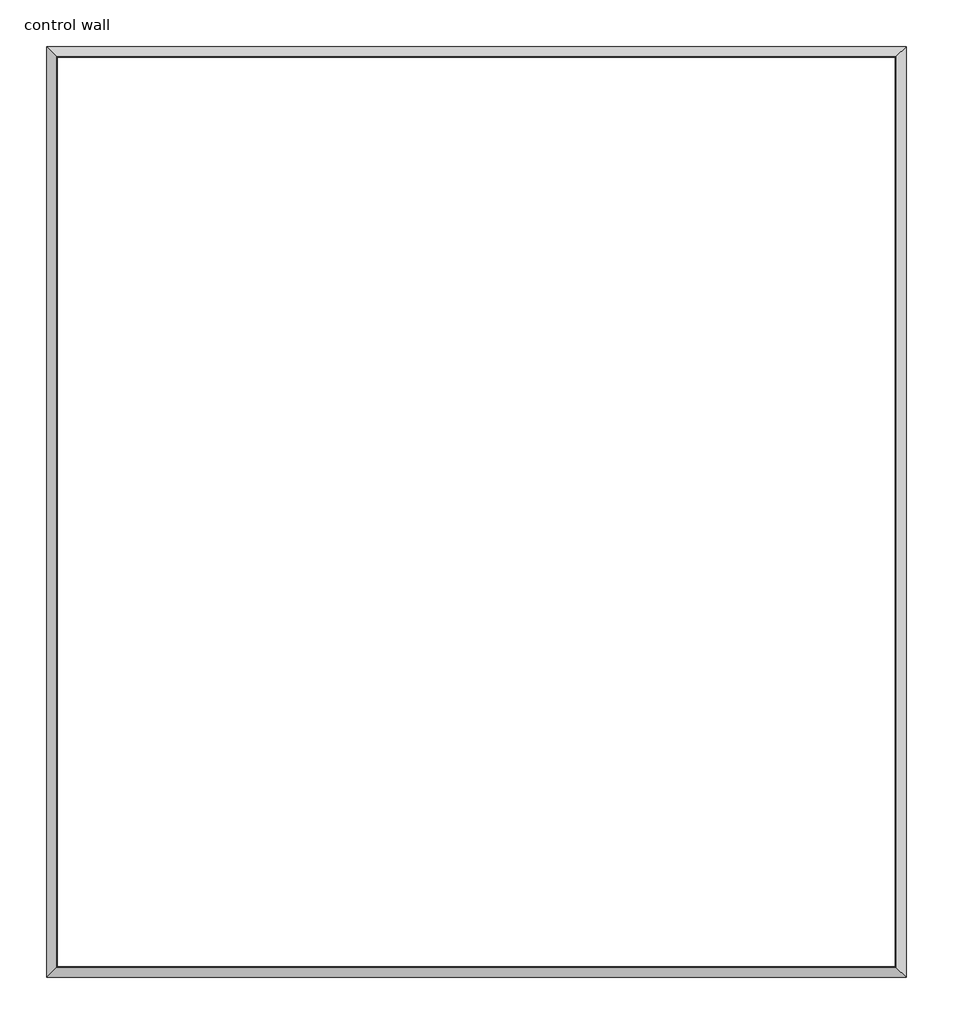
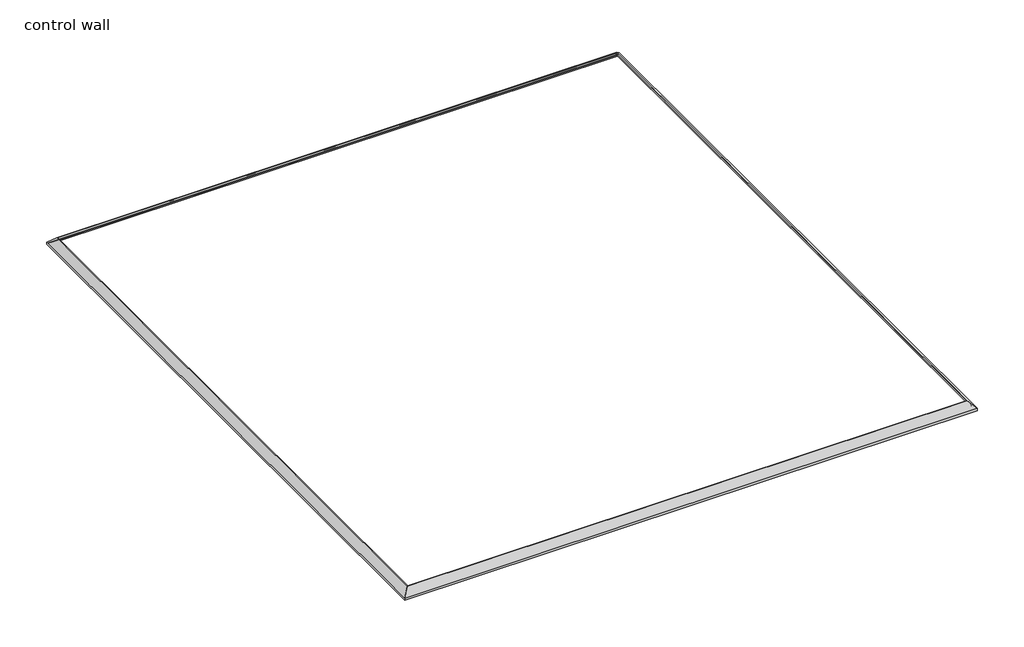
# One storey: 4 proxies.
"""IFC4 building model written with IfcOpenShell, lengths in millimetres."""

from ifc_helpers import new_model, si_unit, frame, origin, place, context, project, spatial, polyline, ellipse_curve, element, save
from ifc_brep_helpers import plane_surface, cylinder_surface, revolved_surface, advanced_brep

model = new_model("IFC4")

# Units and contexts
model_context = context("Model", 3, world=origin())
ifc_project = project(units=[si_unit("LENGTHUNIT", "METRE", prefix="MILLI")], contexts=[model_context])

# Site, building, storey
site = spatial("IfcSite", under=ifc_project)
building = spatial("IfcBuilding", under=site)
storey = spatial("IfcBuildingStorey", under=building, Name="control wall", Elevation=2133.6)

# Proxies
placement = place(None, origin())
element("IfcBuildingElementProxy", 1, Name="Wall Sweeps", at=placement, inside=storey, context=model_context, shape_type="AdvancedBrep", body=[
    advanced_brep(
    [(20037.5850881, -23509.6951015, 2678.1793892), (20037.5850881, -23509.6951015, 2654.3), (20046.5653442, -23500.7148454, 2654.3), (20046.5653442, -23500.7148454, 2663.2802561), (20060.0357284, -23487.2444612, 2676.7506403), (20060.0357284, -23487.2444612, 2683.1006403), (20080.5604082, -23466.7197814, 2703.6253202), (20101.0850881, -23446.1951015, 2724.15), (20110.7083969, -23436.5717927, 2724.15), (20110.7083969, -23436.5717927, 2743.2), (20102.6056989, -23444.6744907, 2743.2), (20037.5850881, -17210.1051633, 2678.1793892), (20102.6056989, -17275.1257742, 2743.2), (20110.7083969, -17283.2284721, 2743.2), (20110.7083969, -17283.2284721, 2724.15), (20101.0850881, -17273.6051633, 2724.15), (20080.5604082, -17253.0804835, 2703.6253202), (20060.0357284, -17232.5558036, 2683.1006403), (20060.0357284, -17232.5558036, 2676.7506403), (20046.5653442, -17219.0854195, 2663.2802561), (20046.5653442, -17219.0854195, 2654.3), (20037.5850881, -17210.1051633, 2654.3)],
    [
        (0, 1),
        (1, 2),
        (2, 3),
        (3, 4, ellipse_curve(frame((20060.0357284, -23487.2444612, 2663.2802561), z_axis=(-0.7071067811865476, 0.7071067811865476, 0.0), x_axis=(0.7071067811865476, 0.7071067811865474, 0.0)), 19.05, 13.4703842)),
        (4, 5),
        (5, 6, ellipse_curve(frame((20060.0357284, -23487.2444612, 2703.6253202), z_axis=(0.7071067811865476, -0.7071067811865476, 0.0), x_axis=(-0.7071067811865476, -0.7071067811865474, 0.0)), 29.0262806, 20.5246798)),
        (6, 7, ellipse_curve(frame((20101.0850881, -23446.1951015, 2703.6253202), z_axis=(-0.7071067811865476, 0.7071067811865476, 0.0), x_axis=(0.7071067811865476, 0.7071067811865474, 0.0)), 29.0262806, 20.5246798)),
        (7, 8),
        (8, 9),
        (9, 10),
        (10, 0),
        (11, 12),
        (12, 13),
        (13, 14),
        (14, 15),
        (15, 16, ellipse_curve(frame((20101.0850881, -17273.6051633, 2703.6253202), z_axis=(-0.707106781186544, -0.7071067811865511, 0.0), x_axis=(-0.7071067811865511, 0.7071067811865438, 0.0)), 29.0262806, 20.5246798)),
        (16, 17, ellipse_curve(frame((20060.0357284, -17232.5558036, 2703.6253202), z_axis=(0.707106781186544, 0.7071067811865511, 0.0), x_axis=(0.7071067811865511, -0.7071067811865438, 0.0)), 29.0262806, 20.5246798)),
        (17, 18),
        (18, 19, ellipse_curve(frame((20060.0357284, -17232.5558036, 2663.2802561), z_axis=(-0.707106781186544, -0.7071067811865511, 0.0), x_axis=(-0.7071067811865511, 0.7071067811865438, 0.0)), 19.05, 13.4703842)),
        (19, 20),
        (20, 21),
        (21, 11),
        (0, 11),
        (21, 1),
        (20, 2),
        (19, 3),
        (18, 4),
        (17, 5),
        (16, 6),
        (15, 7),
        (14, 8),
        (13, 9),
        (12, 10),
    ],
    [
        plane_surface(frame((20037.5850881, -23509.6951015, 2959.1), z_axis=(0.7071067811865476, -0.7071067811865476, 0.0), x_axis=(0.7071067811865476, 0.7071067811865476, 0.0))),
        plane_surface(frame((20037.5850881, -17210.1051633, 2959.1), z_axis=(0.707106781186544, 0.7071067811865511, 0.0), x_axis=(0.7071067811865511, -0.707106781186544, 0.0))),
        plane_surface(frame((20037.5850881, -23509.6951015, 2678.1793892), z_axis=(-1.0, 0.0, 0.0), x_axis=(0.0, 1.0, 0.0))),
        plane_surface(frame((20037.5850881, -23509.6951015, 2654.3), z_axis=(0.0, 0.0, -1.0), x_axis=(0.0, 1.0, 0.0))),
        plane_surface(frame((20046.5653442, -23500.7148454, 2654.3), z_axis=(1.0, 0.0, 0.0), x_axis=(0.0, 1.0, 0.0))),
        revolved_surface(polyline([(20073.5061126, -17219.085419418396, 2663.2802561), (20073.5061126, -23500.7148454, 2663.2802561)]), (20060.0357284, -23509.6951015, 2663.2802561), (0.0, 1.0, 0.0)),
        plane_surface(frame((20060.0357284, -23487.2444612, 2676.7506403), z_axis=(1.0, 0.0, 0.0), x_axis=(0.0, 1.0, 0.0))),
        cylinder_surface(frame((20060.0357284, -23509.6951015, 2703.6253202), z_axis=(0.0, -1.0, 0.0), x_axis=(1.0, 0.0, 0.0)), 20.5246798),
        revolved_surface(polyline([(20121.6097679, -17253.080483455116, 2703.6253202), (20121.6097679, -23466.7197814, 2703.6253202)]), (20101.0850881, -23509.6951015, 2703.6253202), (0.0, 1.0, 0.0)),
        plane_surface(frame((20101.0850881, -23446.1951015, 2724.15), z_axis=(0.0, 0.0, -1.0), x_axis=(0.0, 1.0, 0.0))),
        plane_surface(frame((20110.7083969, -23436.5717927, 2724.15), z_axis=(1.0, 0.0, 0.0), x_axis=(0.0, 1.0, 0.0))),
        plane_surface(frame((20110.7083969, -23436.5717927, 2743.2), z_axis=(0.0, 0.0, 1.0), x_axis=(0.0, 1.0, 0.0))),
        plane_surface(frame((20102.6056989, -23444.6744907, 2743.2), z_axis=(-0.707106781186547, 0.0, 0.707106781186548), x_axis=(0.0, 1.0, 0.0))),
    ],
    [
        (0, [[1, 2, 3, 4, 5, 6, 7, 8, 9, 10, 11]]),
        (1, [[12, 13, 14, 15, 16, 17, 18, 19, 20, 21, 22]]),
        (2, [[-1, 23, -22, 24]]),
        (3, [[-2, -24, -21, 25]]),
        (4, [[-3, -25, -20, 26]]),
        (5, [[-4, -26, -19, 27]]),
        (6, [[-5, -27, -18, 28]]),
        (7, [[-6, -28, -17, 29]]),
        (8, [[-7, -29, -16, 30]]),
        (9, [[-8, -30, -15, 31]]),
        (10, [[-9, -31, -14, 32]]),
        (11, [[-10, -32, -13, 33]]),
        (12, [[-11, -33, -12, -23]]),
    ],
),
])
element("IfcBuildingElementProxy", 2, Name="Wall Sweeps", at=placement, inside=storey, context=model_context, shape_type="AdvancedBrep", body=[
    advanced_brep(
    [(20037.5850881, -17210.1051633, 2678.1793892), (20037.5850881, -17210.1051633, 2654.3), (20046.5653442, -17219.0854195, 2654.3), (20046.5653442, -17219.0854195, 2663.2802561), (20060.0357284, -17232.5558036, 2676.7506403), (20060.0357284, -17232.5558036, 2683.1006403), (20080.5604082, -17253.0804835, 2703.6253202), (20101.0850881, -17273.6051633, 2724.15), (20110.7083969, -17283.2284721, 2724.15), (20110.7083969, -17283.2284721, 2743.2), (20102.6056989, -17275.1257742, 2743.2), (25854.1850881, -17210.1051633, 2678.1793892), (25789.1644773, -17275.1257742, 2743.2), (25781.0617793, -17283.2284721, 2743.2), (25781.0617793, -17283.2284721, 2724.15), (25790.6850881, -17273.6051633, 2724.15), (25811.2097679, -17253.0804835, 2703.6253202), (25831.7344478, -17232.5558036, 2683.1006403), (25831.7344478, -17232.5558036, 2676.7506403), (25845.204832, -17219.0854195, 2663.2802561), (25845.204832, -17219.0854195, 2654.3), (25854.1850881, -17210.1051633, 2654.3)],
    [
        (0, 1),
        (1, 2),
        (2, 3),
        (3, 4, ellipse_curve(frame((20060.0357284, -17232.5558036, 2663.2802561), z_axis=(0.707106781186544, 0.7071067811865511, 0.0), x_axis=(0.7071067811865509, -0.7071067811865441, 0.0)), 19.05, 13.4703842)),
        (4, 5),
        (5, 6, ellipse_curve(frame((20060.0357284, -17232.5558036, 2703.6253202), z_axis=(-0.707106781186544, -0.7071067811865511, 0.0), x_axis=(-0.7071067811865509, 0.7071067811865441, 0.0)), 29.0262806, 20.5246798)),
        (6, 7, ellipse_curve(frame((20101.0850881, -17273.6051633, 2703.6253202), z_axis=(0.707106781186544, 0.7071067811865511, 0.0), x_axis=(0.7071067811865509, -0.7071067811865441, 0.0)), 29.0262806, 20.5246798)),
        (7, 8),
        (8, 9),
        (9, 10),
        (10, 0),
        (11, 12),
        (12, 13),
        (13, 14),
        (14, 15),
        (15, 16, ellipse_curve(frame((25790.6850881, -17273.6051633, 2703.6253202), z_axis=(-0.707106781186544, 0.7071067811865511, 0.0), x_axis=(0.7071067811865509, 0.7071067811865441, 0.0)), 29.0262806, 20.5246798)),
        (16, 17, ellipse_curve(frame((25831.7344478, -17232.5558036, 2703.6253202), z_axis=(0.707106781186544, -0.7071067811865511, 0.0), x_axis=(-0.7071067811865509, -0.7071067811865441, 0.0)), 29.0262806, 20.5246798)),
        (17, 18),
        (18, 19, ellipse_curve(frame((25831.7344478, -17232.5558036, 2663.2802561), z_axis=(-0.707106781186544, 0.7071067811865511, 0.0), x_axis=(0.7071067811865509, 0.7071067811865441, 0.0)), 19.05, 13.4703842)),
        (19, 20),
        (20, 21),
        (21, 11),
        (0, 11),
        (21, 1),
        (20, 2),
        (19, 3),
        (18, 4),
        (17, 5),
        (16, 6),
        (15, 7),
        (14, 8),
        (13, 9),
        (12, 10),
    ],
    [
        plane_surface(frame((20037.5850881, -17210.1051633, 2959.1), z_axis=(-0.707106781186544, -0.7071067811865511, 0.0), x_axis=(0.7071067811865511, -0.707106781186544, 0.0))),
        plane_surface(frame((25854.1850881, -17210.1051633, 2959.1), z_axis=(0.707106781186544, -0.7071067811865511, 0.0), x_axis=(-0.7071067811865511, -0.707106781186544, 0.0))),
        plane_surface(frame((20037.5850881, -17210.1051633, 2678.1793892), z_axis=(0.0, 1.0, 0.0), x_axis=(1.0, 0.0, 0.0))),
        plane_surface(frame((20037.5850881, -17210.1051633, 2654.3), z_axis=(0.0, 0.0, -1.0), x_axis=(1.0, 0.0, 0.0))),
        plane_surface(frame((20046.5653442, -17219.0854195, 2654.3), z_axis=(0.0, -1.0, 0.0), x_axis=(1.0, 0.0, 0.0))),
        revolved_surface(polyline([(25845.204832, -17246.026187800002, 2663.2802561), (20046.5653442, -17246.026187800002, 2663.2802561)]), (20037.5850881, -17232.5558036, 2663.2802561), (1.0, 0.0, 0.0)),
        plane_surface(frame((20060.0357284, -17232.5558036, 2676.7506403), z_axis=(0.0, -1.0, 0.0), x_axis=(1.0, 0.0, 0.0))),
        cylinder_surface(frame((20037.5850881, -17232.5558036, 2703.6253202), z_axis=(-1.0, 0.0, 0.0), x_axis=(0.0, -1.0, 0.0)), 20.5246798),
        revolved_surface(polyline([(25811.20976794488, -17294.1298431, 2703.6253202), (20080.5604082, -17294.1298431, 2703.6253202)]), (20037.5850881, -17273.6051633, 2703.6253202), (1.0, 0.0, 0.0)),
        plane_surface(frame((20101.0850881, -17273.6051633, 2724.15), z_axis=(0.0, 0.0, -1.0), x_axis=(1.0, 0.0, 0.0))),
        plane_surface(frame((20110.7083969, -17283.2284721, 2724.15), z_axis=(0.0, -1.0, 0.0), x_axis=(1.0, 0.0, 0.0))),
        plane_surface(frame((20110.7083969, -17283.2284721, 2743.2), z_axis=(0.0, 0.0, 1.0), x_axis=(1.0, 0.0, 0.0))),
        plane_surface(frame((20102.6056989, -17275.1257742, 2743.2), z_axis=(0.0, 0.707106781186547, 0.707106781186548), x_axis=(1.0, 0.0, 0.0))),
    ],
    [
        (0, [[1, 2, 3, 4, 5, 6, 7, 8, 9, 10, 11]]),
        (1, [[12, 13, 14, 15, 16, 17, 18, 19, 20, 21, 22]]),
        (2, [[-1, 23, -22, 24]]),
        (3, [[-2, -24, -21, 25]]),
        (4, [[-3, -25, -20, 26]]),
        (5, [[-4, -26, -19, 27]]),
        (6, [[-5, -27, -18, 28]]),
        (7, [[-6, -28, -17, 29]]),
        (8, [[-7, -29, -16, 30]]),
        (9, [[-8, -30, -15, 31]]),
        (10, [[-9, -31, -14, 32]]),
        (11, [[-10, -32, -13, 33]]),
        (12, [[-11, -33, -12, -23]]),
    ],
),
])
element("IfcBuildingElementProxy", 3, Name="Wall Sweeps", at=placement, inside=storey, context=model_context, shape_type="AdvancedBrep", body=[
    advanced_brep(
    [(25854.1850881, -23509.6951015, 2678.1793892), (25854.1850881, -23509.6951015, 2654.3), (25845.204832, -23500.7148454, 2654.3), (25845.204832, -23500.7148454, 2663.2802561), (25831.7344478, -23487.2444612, 2676.7506403), (25831.7344478, -23487.2444612, 2683.1006403), (25811.2097679, -23466.7197814, 2703.6253202), (25790.6850881, -23446.1951015, 2724.15), (25781.0617793, -23436.5717927, 2724.15), (25781.0617793, -23436.5717927, 2743.2), (25789.1644773, -23444.6744907, 2743.2), (20037.5850881, -23509.6951015, 2678.1793892), (20102.6056989, -23444.6744907, 2743.2), (20110.7083969, -23436.5717927, 2743.2), (20110.7083969, -23436.5717927, 2724.15), (20101.0850881, -23446.1951015, 2724.15), (20080.5604082, -23466.7197814, 2703.6253202), (20060.0357284, -23487.2444612, 2683.1006403), (20060.0357284, -23487.2444612, 2676.7506403), (20046.5653442, -23500.7148454, 2663.2802561), (20046.5653442, -23500.7148454, 2654.3), (20037.5850881, -23509.6951015, 2654.3)],
    [
        (0, 1),
        (1, 2),
        (2, 3),
        (3, 4, ellipse_curve(frame((25831.7344478, -23487.2444612, 2663.2802561), z_axis=(-0.7071067811865476, -0.7071067811865476, 0.0), x_axis=(-0.7071067811865474, 0.7071067811865476, 0.0)), 19.05, 13.4703842)),
        (4, 5),
        (5, 6, ellipse_curve(frame((25831.7344478, -23487.2444612, 2703.6253202), z_axis=(0.7071067811865476, 0.7071067811865476, 0.0), x_axis=(0.7071067811865474, -0.7071067811865476, 0.0)), 29.0262806, 20.5246798)),
        (6, 7, ellipse_curve(frame((25790.6850881, -23446.1951015, 2703.6253202), z_axis=(-0.7071067811865476, -0.7071067811865476, 0.0), x_axis=(-0.7071067811865474, 0.7071067811865476, 0.0)), 29.0262806, 20.5246798)),
        (7, 8),
        (8, 9),
        (9, 10),
        (10, 0),
        (11, 12),
        (12, 13),
        (13, 14),
        (14, 15),
        (15, 16, ellipse_curve(frame((20101.0850881, -23446.1951015, 2703.6253202), z_axis=(0.7071067811865476, -0.7071067811865476, 0.0), x_axis=(-0.7071067811865474, -0.7071067811865476, 0.0)), 29.0262806, 20.5246798)),
        (16, 17, ellipse_curve(frame((20060.0357284, -23487.2444612, 2703.6253202), z_axis=(-0.7071067811865476, 0.7071067811865476, 0.0), x_axis=(0.7071067811865474, 0.7071067811865476, 0.0)), 29.0262806, 20.5246798)),
        (17, 18),
        (18, 19, ellipse_curve(frame((20060.0357284, -23487.2444612, 2663.2802561), z_axis=(0.7071067811865476, -0.7071067811865476, 0.0), x_axis=(-0.7071067811865474, -0.7071067811865476, 0.0)), 19.05, 13.4703842)),
        (19, 20),
        (20, 21),
        (21, 11),
        (0, 11),
        (21, 1),
        (20, 2),
        (19, 3),
        (18, 4),
        (17, 5),
        (16, 6),
        (15, 7),
        (14, 8),
        (13, 9),
        (12, 10),
    ],
    [
        plane_surface(frame((25854.1850881, -23509.6951015, 2959.1), z_axis=(0.7071067811865476, 0.7071067811865476, 0.0), x_axis=(-0.7071067811865476, 0.7071067811865476, 0.0))),
        plane_surface(frame((20037.5850881, -23509.6951015, 2959.1), z_axis=(-0.7071067811865476, 0.7071067811865476, 0.0), x_axis=(0.7071067811865476, 0.7071067811865476, 0.0))),
        plane_surface(frame((25854.1850881, -23509.6951015, 2678.1793892), z_axis=(0.0, -1.0, 0.0), x_axis=(-1.0, 0.0, 0.0))),
        plane_surface(frame((25854.1850881, -23509.6951015, 2654.3), z_axis=(0.0, 0.0, -1.0), x_axis=(-1.0, 0.0, 0.0))),
        plane_surface(frame((25845.204832, -23500.7148454, 2654.3), z_axis=(0.0, 1.0, 0.0), x_axis=(-1.0, 0.0, 0.0))),
        revolved_surface(polyline([(20046.5653442, -23473.774077, 2663.2802561), (25845.204832, -23473.774077, 2663.2802561)]), (25854.1850881, -23487.2444612, 2663.2802561), (-1.0, 0.0, 0.0)),
        plane_surface(frame((25831.7344478, -23487.2444612, 2676.7506403), z_axis=(0.0, 1.0, 0.0), x_axis=(-1.0, 0.0, 0.0))),
        cylinder_surface(frame((25854.1850881, -23487.2444612, 2703.6253202), z_axis=(1.0, 0.0, 0.0), x_axis=(0.0, 1.0, 0.0)), 20.5246798),
        revolved_surface(polyline([(20080.5604082, -23425.6704217, 2703.6253202), (25811.20976794488, -23425.6704217, 2703.6253202)]), (25854.1850881, -23446.1951015, 2703.6253202), (-1.0, 0.0, 0.0)),
        plane_surface(frame((25790.6850881, -23446.1951015, 2724.15), z_axis=(0.0, 0.0, -1.0), x_axis=(-1.0, 0.0, 0.0))),
        plane_surface(frame((25781.0617793, -23436.5717927, 2724.15), z_axis=(0.0, 1.0, 0.0), x_axis=(-1.0, 0.0, 0.0))),
        plane_surface(frame((25781.0617793, -23436.5717927, 2743.2), z_axis=(0.0, 0.0, 1.0), x_axis=(-1.0, 0.0, 0.0))),
        plane_surface(frame((25789.1644773, -23444.6744907, 2743.2), z_axis=(0.0, -0.707106781186547, 0.707106781186548), x_axis=(-1.0, 0.0, 0.0))),
    ],
    [
        (0, [[1, 2, 3, 4, 5, 6, 7, 8, 9, 10, 11]]),
        (1, [[12, 13, 14, 15, 16, 17, 18, 19, 20, 21, 22]]),
        (2, [[-1, 23, -22, 24]]),
        (3, [[-2, -24, -21, 25]]),
        (4, [[-3, -25, -20, 26]]),
        (5, [[-4, -26, -19, 27]]),
        (6, [[-5, -27, -18, 28]]),
        (7, [[-6, -28, -17, 29]]),
        (8, [[-7, -29, -16, 30]]),
        (9, [[-8, -30, -15, 31]]),
        (10, [[-9, -31, -14, 32]]),
        (11, [[-10, -32, -13, 33]]),
        (12, [[-11, -33, -12, -23]]),
    ],
),
])
element("IfcBuildingElementProxy", 4, Name="Wall Sweeps", at=placement, inside=storey, context=model_context, shape_type="AdvancedBrep", body=[
    advanced_brep(
    [(25854.1850881, -17210.1051633, 2678.1793892), (25854.1850881, -17210.1051633, 2654.3), (25845.204832, -17219.0854195, 2654.3), (25845.204832, -17219.0854195, 2663.2802561), (25831.7344478, -17232.5558036, 2676.7506403), (25831.7344478, -17232.5558036, 2683.1006403), (25811.2097679, -17253.0804835, 2703.6253202), (25790.6850881, -17273.6051633, 2724.15), (25781.0617793, -17283.2284721, 2724.15), (25781.0617793, -17283.2284721, 2743.2), (25789.1644773, -17275.1257742, 2743.2), (25854.1850881, -23509.6951015, 2678.1793892), (25789.1644773, -23444.6744907, 2743.2), (25781.0617793, -23436.5717927, 2743.2), (25781.0617793, -23436.5717927, 2724.15), (25790.6850881, -23446.1951015, 2724.15), (25811.2097679, -23466.7197814, 2703.6253202), (25831.7344478, -23487.2444612, 2683.1006403), (25831.7344478, -23487.2444612, 2676.7506403), (25845.204832, -23500.7148454, 2663.2802561), (25845.204832, -23500.7148454, 2654.3), (25854.1850881, -23509.6951015, 2654.3)],
    [
        (0, 1),
        (1, 2),
        (2, 3),
        (3, 4, ellipse_curve(frame((25831.7344478, -17232.5558036, 2663.2802561), z_axis=(0.707106781186544, -0.7071067811865511, 0.0), x_axis=(-0.7071067811865512, -0.7071067811865438, 0.0)), 19.05, 13.4703842)),
        (4, 5),
        (5, 6, ellipse_curve(frame((25831.7344478, -17232.5558036, 2703.6253202), z_axis=(-0.707106781186544, 0.7071067811865511, 0.0), x_axis=(0.7071067811865512, 0.7071067811865438, 0.0)), 29.0262806, 20.5246798)),
        (6, 7, ellipse_curve(frame((25790.6850881, -17273.6051633, 2703.6253202), z_axis=(0.707106781186544, -0.7071067811865511, 0.0), x_axis=(-0.7071067811865512, -0.7071067811865438, 0.0)), 29.0262806, 20.5246798)),
        (7, 8),
        (8, 9),
        (9, 10),
        (10, 0),
        (11, 12),
        (12, 13),
        (13, 14),
        (14, 15),
        (15, 16, ellipse_curve(frame((25790.6850881, -23446.1951015, 2703.6253202), z_axis=(0.7071067811865476, 0.7071067811865476, 0.0), x_axis=(0.7071067811865476, -0.7071067811865476, 0.0)), 29.0262806, 20.5246798)),
        (16, 17, ellipse_curve(frame((25831.7344478, -23487.2444612, 2703.6253202), z_axis=(-0.7071067811865476, -0.7071067811865476, 0.0), x_axis=(-0.7071067811865476, 0.7071067811865476, 0.0)), 29.0262806, 20.5246798)),
        (17, 18),
        (18, 19, ellipse_curve(frame((25831.7344478, -23487.2444612, 2663.2802561), z_axis=(0.7071067811865476, 0.7071067811865476, 0.0), x_axis=(0.7071067811865476, -0.7071067811865476, 0.0)), 19.05, 13.4703842)),
        (19, 20),
        (20, 21),
        (21, 11),
        (0, 11),
        (21, 1),
        (20, 2),
        (19, 3),
        (18, 4),
        (17, 5),
        (16, 6),
        (15, 7),
        (14, 8),
        (13, 9),
        (12, 10),
    ],
    [
        plane_surface(frame((25854.1850881, -17210.1051633, 2959.1), z_axis=(-0.707106781186544, 0.7071067811865511, 0.0), x_axis=(-0.7071067811865511, -0.707106781186544, 0.0))),
        plane_surface(frame((25854.1850881, -23509.6951015, 2959.1), z_axis=(-0.7071067811865476, -0.7071067811865476, 0.0), x_axis=(-0.7071067811865476, 0.7071067811865476, 0.0))),
        plane_surface(frame((25854.1850881, -17210.1051633, 2678.1793892), z_axis=(1.0, 0.0, 0.0), x_axis=(0.0, -1.0, 0.0))),
        plane_surface(frame((25854.1850881, -17210.1051633, 2654.3), z_axis=(0.0, 0.0, -1.0), x_axis=(0.0, -1.0, 0.0))),
        plane_surface(frame((25845.204832, -17219.0854195, 2654.3), z_axis=(-1.0, 0.0, 0.0), x_axis=(0.0, -1.0, 0.0))),
        revolved_surface(polyline([(25818.2640636, -23500.7148454, 2663.2802561), (25818.2640636, -17219.085419418396, 2663.2802561)]), (25831.7344478, -17210.1051633, 2663.2802561), (0.0, -1.0, 0.0)),
        plane_surface(frame((25831.7344478, -17232.5558036, 2676.7506403), z_axis=(-1.0, 0.0, 0.0), x_axis=(0.0, -1.0, 0.0))),
        cylinder_surface(frame((25831.7344478, -17210.1051633, 2703.6253202), z_axis=(0.0, 1.0, 0.0), x_axis=(-1.0, 0.0, 0.0)), 20.5246798),
        revolved_surface(polyline([(25770.1604083, -23466.7197814, 2703.6253202), (25770.1604083, -17253.080483455116, 2703.6253202)]), (25790.6850881, -17210.1051633, 2703.6253202), (0.0, -1.0, 0.0)),
        plane_surface(frame((25790.6850881, -17273.6051633, 2724.15), z_axis=(0.0, 0.0, -1.0), x_axis=(0.0, -1.0, 0.0))),
        plane_surface(frame((25781.0617793, -17283.2284721, 2724.15), z_axis=(-1.0, 0.0, 0.0), x_axis=(0.0, -1.0, 0.0))),
        plane_surface(frame((25781.0617793, -17283.2284721, 2743.2), z_axis=(0.0, 0.0, 1.0), x_axis=(0.0, -1.0, 0.0))),
        plane_surface(frame((25789.1644773, -17275.1257742, 2743.2), z_axis=(0.707106781186547, 0.0, 0.707106781186548), x_axis=(0.0, -1.0, 0.0))),
    ],
    [
        (0, [[1, 2, 3, 4, 5, 6, 7, 8, 9, 10, 11]]),
        (1, [[12, 13, 14, 15, 16, 17, 18, 19, 20, 21, 22]]),
        (2, [[-1, 23, -22, 24]]),
        (3, [[-2, -24, -21, 25]]),
        (4, [[-3, -25, -20, 26]]),
        (5, [[-4, -26, -19, 27]]),
        (6, [[-5, -27, -18, 28]]),
        (7, [[-6, -28, -17, 29]]),
        (8, [[-7, -29, -16, 30]]),
        (9, [[-8, -30, -15, 31]]),
        (10, [[-9, -31, -14, 32]]),
        (11, [[-10, -32, -13, 33]]),
        (12, [[-11, -33, -12, -23]]),
    ],
),
])

save(model, "model.ifc")
